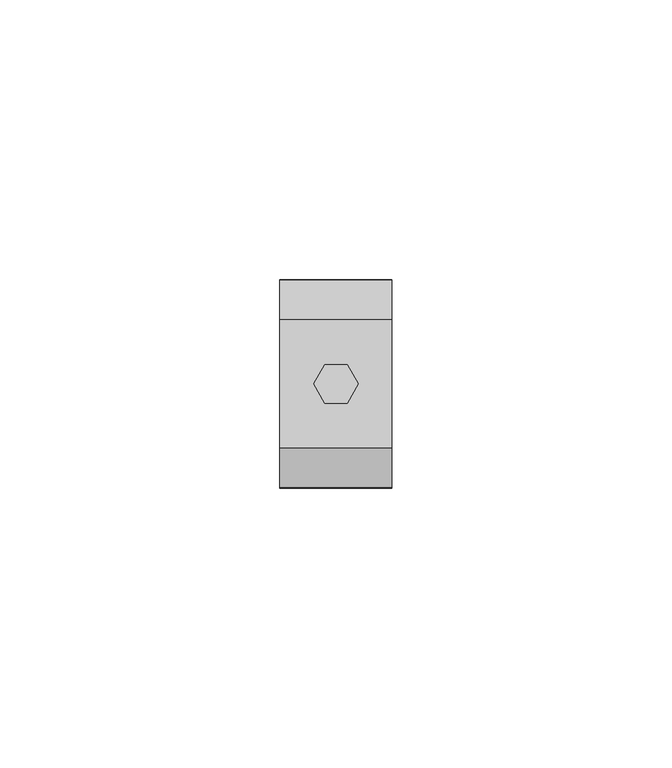
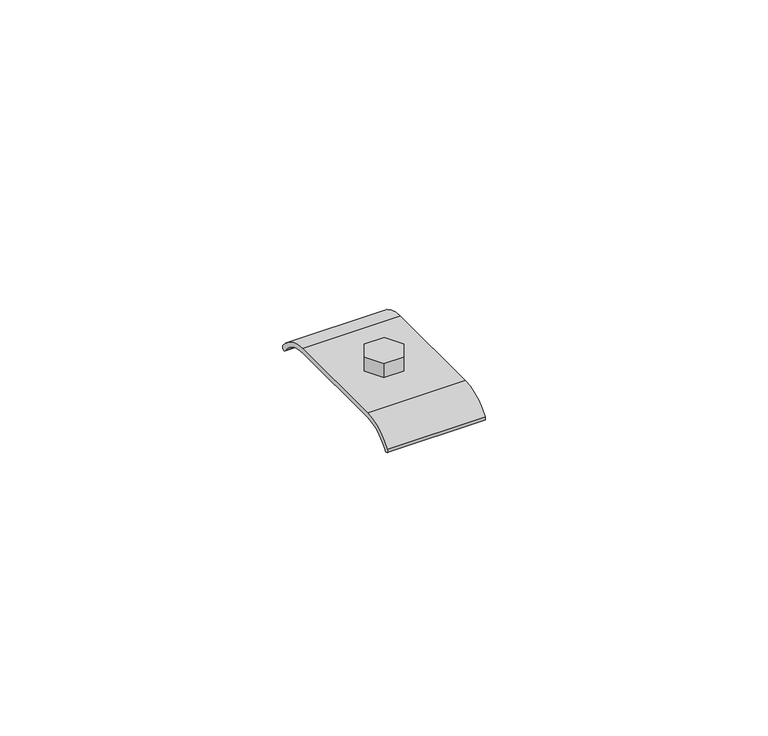
"""IFC4 building model written with IfcOpenShell, lengths in millimetres: beam geometry."""

import ifcopenshell
import ifcopenshell.guid

model = None  # the IFC model being written
_history = None  # IfcOwnerHistory: only IFC2X3 demands one
_inside = {}  # id of a spatial element -> (the spatial element, [elements in it])
_under = {}  # id of a project, library or spatial element -> (it, [spatial elements below it])
_declared = {}  # id of a project -> (the project, [libraries it declares])
_typed = {}  # id of a type object -> (the type object, [elements of that type])
_made_of = {}  # id of a material, layer set ... -> (it, [elements and type objects made of it])


def new_model(schema):
    """Start an empty IFC model of exactly this schema.

    Asked for "IFC4X3", IfcOpenShell would pick the latest addendum, in which some entities
    have other attributes; the version numbers below select the first issue.
    IFC2X3 requires an IfcOwnerHistory on every rooted entity: one is made here for all.
    """
    global model, _history
    if schema == "IFC4X3":
        model = ifcopenshell.file(schema_version=(4, 3, 0, 0))
    else:
        model = ifcopenshell.file(schema=schema)
    _inside.clear()
    _under.clear()
    _declared.clear()
    _typed.clear()
    _made_of.clear()
    _history = None
    if model.schema == "IFC2X3":
        org = make("IfcOrganization", Name="unknown")
        user = make(
            "IfcPersonAndOrganization",
            ThePerson=make("IfcPerson", FamilyName="unknown"),
            TheOrganization=org,
        )
        app = make(
            "IfcApplication",
            ApplicationDeveloper=org,
            Version="unknown",
            ApplicationFullName="unknown",
            ApplicationIdentifier="unknown",
        )
        _history = make(
            "IfcOwnerHistory",
            OwningUser=user,
            OwningApplication=app,
            ChangeAction="ADDED",
            CreationDate=0,
        )
    return model


def make(cls, **values):
    """One entity of the class cls with the attributes given. An attribute that is None is left unset."""
    return model.create_entity(
        cls, **{name: value for name, value in values.items() if value is not None}
    )


def rooted(cls, **values):
    """An entity with a GlobalId (a new one), such as an element, a storey or a relation."""
    return make(cls, GlobalId=ifcopenshell.guid.new(), OwnerHistory=_history, **values)


def si_unit(unit_type, name, prefix=None):
    """IfcSIUnit, for example si_unit("LENGTHUNIT", "METRE", prefix="MILLI")."""
    return make("IfcSIUnit", UnitType=unit_type, Prefix=prefix, Name=name)


def assignment(units):
    """IfcUnitAssignment: the units of a project."""
    return None if units is None else make("IfcUnitAssignment", Units=units)


def point(xyz):
    """IfcCartesianPoint."""
    return None if xyz is None else make("IfcCartesianPoint", Coordinates=xyz)


def direction(xyz):
    """IfcDirection."""
    return None if xyz is None else make("IfcDirection", DirectionRatios=xyz)


def frame(location, z_axis=None, x_axis=None):
    """IfcAxis2Placement3D, a coordinate frame: its origin and axes. An axis left out is left unset."""
    return make(
        "IfcAxis2Placement3D",
        Location=point(location),
        Axis=direction(z_axis),
        RefDirection=direction(x_axis),
    )


def frame_2d(location, x_axis=None):
    """IfcAxis2Placement2D, a coordinate frame in the plane: its origin and x axis."""
    return make(
        "IfcAxis2Placement2D", Location=point(location), RefDirection=direction(x_axis)
    )


def origin():
    """The frame at (0, 0, 0) with its axes left unset."""
    return frame((0.0, 0.0, 0.0))


def place(relative_to, where):
    """IfcLocalPlacement: puts the frame where relative to a parent placement (None: the world)."""
    return make(
        "IfcLocalPlacement", PlacementRelTo=relative_to, RelativePlacement=where
    )


def context(
    kind, dimensions, precision=None, world=None, true_north=None, identifier=None
):
    """IfcGeometricRepresentationContext, for example the 3D "Model" context."""
    return make(
        "IfcGeometricRepresentationContext",
        ContextIdentifier=identifier,
        ContextType=kind,
        CoordinateSpaceDimension=dimensions,
        Precision=precision,
        WorldCoordinateSystem=world,
        TrueNorth=true_north,
    )


def project(units=None, contexts=None):
    """IfcProject with its units and contexts."""
    return rooted(
        "IfcProject",
        Name="project",
        RepresentationContexts=contexts,
        UnitsInContext=assignment(units),
    )


def spatial(cls, under=None, at=None, **own):
    """A site, building, storey or space (cls), placed at a placement, below another one or the project."""
    s = rooted(cls, ObjectPlacement=at, **own)
    if under is not None:
        _under.setdefault(under.id(), (under, []))[1].append(s)
    return s


def polyline(points):
    """IfcPolyline through the points."""
    return make("IfcPolyline", Points=[point(p) for p in points])


def circle_curve(where, radius):
    """IfcCircle in the frame where."""
    return make("IfcCircle", Position=where, Radius=radius)


def trimmed(basis, trim1, trim2, sense, master):
    """IfcTrimmedCurve: the piece of a basis curve between two trims."""
    return make(
        "IfcTrimmedCurve",
        BasisCurve=basis,
        Trim1=trim1,
        Trim2=trim2,
        SenseAgreement=sense,
        MasterRepresentation=master,
    )


def segment(curve, same_sense, transition):
    """IfcCompositeCurveSegment."""
    return make(
        "IfcCompositeCurveSegment",
        Transition=transition,
        SameSense=same_sense,
        ParentCurve=curve,
    )


def composite_curve(segments, self_intersect=None):
    """IfcCompositeCurve: segments joined end to end."""
    return make("IfcCompositeCurve", Segments=segments, SelfIntersect=self_intersect)


def outline(outer, holes=None, kind="AREA"):
    """IfcArbitraryClosedProfileDef: a profile drawn as a closed curve; with holes, ...WithVoids."""
    if holes is None:
        return make("IfcArbitraryClosedProfileDef", ProfileType=kind, OuterCurve=outer)
    return make(
        "IfcArbitraryProfileDefWithVoids",
        ProfileType=kind,
        OuterCurve=outer,
        InnerCurves=holes,
    )


def extrude(swept, where, along, depth):
    """IfcExtrudedAreaSolid: the profile swept, set in the frame where, extruded along a direction by depth."""
    return make(
        "IfcExtrudedAreaSolid",
        SweptArea=swept,
        Position=where,
        ExtrudedDirection=direction(along),
        Depth=depth,
    )


def shape(context_of_items, identifier, shape_type, items):
    """IfcShapeRepresentation: the items that make up one representation, for example the "Body"."""
    return make(
        "IfcShapeRepresentation",
        ContextOfItems=context_of_items,
        RepresentationIdentifier=identifier,
        RepresentationType=shape_type,
        Items=items,
    )


def source(mapping_origin, context_of_items, identifier, shape_type, items):
    """IfcRepresentationMap: a shape defined once, which mapped items show again and again."""
    return make(
        "IfcRepresentationMap",
        MappingOrigin=mapping_origin,
        MappedRepresentation=shape(context_of_items, identifier, shape_type, items),
    )


def transform(
    local_origin,
    x_axis=None,
    y_axis=None,
    z_axis=None,
    scale=None,
    scale2=None,
    scale3=None,
    uniform=True,
):
    """IfcCartesianTransformationOperator3D, or its non-uniform kind. x_axis, y_axis, z_axis: its Axis1, 2, 3."""
    if uniform:
        return make(
            "IfcCartesianTransformationOperator3D",
            Axis1=direction(x_axis),
            Axis2=direction(y_axis),
            LocalOrigin=point(local_origin),
            Scale=scale,
            Axis3=direction(z_axis),
        )
    return make(
        "IfcCartesianTransformationOperator3DnonUniform",
        Axis1=direction(x_axis),
        Axis2=direction(y_axis),
        LocalOrigin=point(local_origin),
        Scale=scale,
        Axis3=direction(z_axis),
        Scale2=scale2,
        Scale3=scale3,
    )


def mapped(mapping_source, mapping_target):
    """IfcMappedItem: shows the shape of a source again, moved by a transform."""
    return make(
        "IfcMappedItem", MappingSource=mapping_source, MappingTarget=mapping_target
    )


def made_of(thing, what):
    """Note that an element or type object is made of a material, layer set ...; save() writes the relation."""
    if what is not None:
        _made_of.setdefault(what.id(), (what, []))[1].append(thing)
    return thing


def element(
    cls,
    number,
    at=None,
    inside=None,
    cuts=None,
    type_object=None,
    material=None,
    context=None,
    identifier="Body",
    shape_type=None,
    held_by="IfcProductDefinitionShape",
    body=None,
    shapes=None,
    **own,
):
    """One element of the class cls, such as IfcWall. Its Tag is "e" and its number.

    at: its placement. inside: the storey or other place that contains it. cuts: it is an
    opening in that element (IfcRelVoidsElement). A single representation is given by context,
    identifier, shape_type and body (its items); several are given by shapes. held_by: the class
    of the entity that holds the representations. save() writes the other relations.
    """
    e = rooted(cls, Tag="e%d" % number, ObjectPlacement=at, **own)
    if body is not None:
        shapes = [shape(context, identifier, shape_type, body)]
    if shapes is not None:
        e.Representation = make(held_by, Representations=shapes)
    if inside is not None:
        _inside.setdefault(inside.id(), (inside, []))[1].append(e)
    if cuts is not None:
        rooted(
            "IfcRelVoidsElement", RelatingBuildingElement=cuts, RelatedOpeningElement=e
        )
    if type_object is not None:
        _typed.setdefault(type_object.id(), (type_object, []))[1].append(e)
    return made_of(e, material)


def aggregate(whole, parts):
    """IfcRelAggregates: a whole, such as a stair, and the parts it consists of."""
    return rooted("IfcRelAggregates", RelatingObject=whole, RelatedObjects=parts)


def save(model, path):
    """Write the relations noted so far, then the file.

    IfcRelAggregates (storeys below a building ...), IfcRelContainedInSpatialStructure (elements
    in a storey), IfcRelDefinesByType, IfcRelAssociatesMaterial and IfcRelDeclares: one each for
    every whole, place, type object, material and project.
    """
    for whole, parts in _under.values():
        aggregate(whole, parts)
    for where, things in _inside.values():
        rooted(
            "IfcRelContainedInSpatialStructure",
            RelatedElements=things,
            RelatingStructure=where,
        )
    for kind, things in _typed.values():
        rooted("IfcRelDefinesByType", RelatedObjects=things, RelatingType=kind)
    for what, things in _made_of.values():
        rooted("IfcRelAssociatesMaterial", RelatedObjects=things, RelatingMaterial=what)
    for by, libraries in _declared.values():
        rooted("IfcRelDeclares", RelatingContext=by, RelatedDefinitions=libraries)
    model.write(path)


def beam_9de5c819(model_context):
    return source(origin(), model_context, "Body", "SweptSolid", [
        extrude(outline(polyline([(2.0, 3.4641016), (4.0, 0.0), (2.0, -3.4641016), (-2.0, -3.4641016), (-4.0, 0.0), (-2.0, 3.4641016), (2.0, 3.4641016)])), frame((0.0, 0.0, -25.7896475), z_axis=(0.0, 0.0, 1.0), x_axis=(1.0, 0.0, 0.0)), (0.0, 0.0, 1.0), 3.0),
        extrude(outline(composite_curve([segment(trimmed(circle_curve(frame_2d((-11.5, -34.3396475)), 7.55), [point((-11.5, -26.7896475))], [point((-17.6845978, -30.0091452))], True, "CARTESIAN"), True, "CONTINUOUS"), segment(trimmed(circle_curve(frame_2d((-18.0941738, -29.7223569)), 0.5), [point((-17.6845978, -30.0091452))], [point((-18.5037498, -29.4355687))], False, "CARTESIAN"), True, "CONTINUOUS"), segment(trimmed(circle_curve(frame_2d((-11.5, -34.3396475)), 8.55), [point((-18.5037498, -29.4355687))], [point((-11.5, -25.7896475))], False, "CARTESIAN"), True, "CONTINUOUS"), segment(polyline([(-11.5, -25.7896475), (11.5, -25.7896475)]), True, "CONTINUOUS"), segment(trimmed(circle_curve(frame_2d((11.5, -34.3396475)), 8.55), [point((11.5, -25.7896475))], [point((18.5037498, -29.4355687))], False, "CARTESIAN"), True, "CONTINUOUS"), segment(trimmed(circle_curve(frame_2d((18.0941738, -29.7223569)), 0.5), [point((18.5037498, -29.4355687))], [point((17.6845978, -30.0091452))], False, "CARTESIAN"), True, "CONTINUOUS"), segment(trimmed(circle_curve(frame_2d((11.5, -34.3396475)), 7.55), [point((17.6845978, -30.0091452))], [point((11.5, -26.7896475))], True, "CARTESIAN"), True, "CONTINUOUS"), segment(polyline([(11.5, -26.7896475), (-11.5, -26.7896475)]), True, "CONTINUOUS")], self_intersect=False)), frame((-10.003063, 0.0, 0.0), z_axis=(1.0, 0.0, 0.0), x_axis=(0.0, 1.0, 0.0)), (0.0, 0.0, 1.0), 20.0061261),
    ])


if __name__ == "__main__":
    model = new_model("IFC4")
    model_context = context("Model", 3, world=origin())
    ifc_project = project(units=[si_unit("LENGTHUNIT", "METRE", prefix="MILLI")], contexts=[model_context])
    site = spatial("IfcSite", under=ifc_project)
    building = spatial("IfcBuilding", under=site)
    placement = place(None, origin())
    beam_shape = beam_9de5c819(model_context)
    element("IfcBeam", 1, at=placement, inside=building, context=model_context, shape_type="MappedRepresentation", body=[
        mapped(beam_shape, transform((0.0, 0.0, 0.0), x_axis=(1.0, 0.0, 0.0), y_axis=(0.0, 1.0, 0.0), z_axis=(0.0, 0.0, 1.0))),
    ])
    save(model, "model.ifc")
